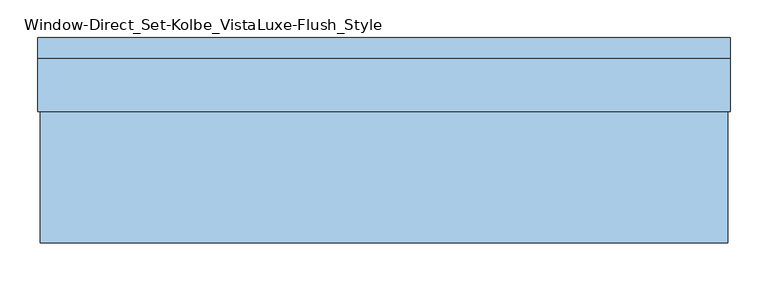
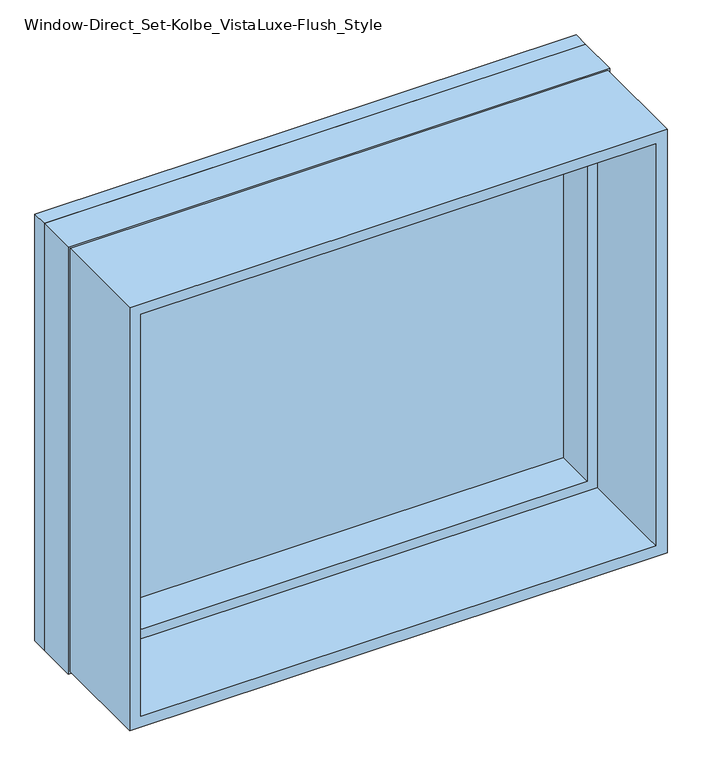
"""IFC4 building model written with IfcOpenShell, lengths in millimetres: window geometry, Window-Direct_Set-Kolbe_VistaLuxe-Flush_Style."""

from ifc_helpers import new_model, si_unit, frame, origin, place, context, project, spatial, polyline, outline, extrude, faceted_brep, source, transform, mapped, element, save


def window_direct_set_kolbe_vistaluxe_flush_style_c959689d(model_context):
    return source(origin(), model_context, "Body", "SolidModel", [
        extrude(outline(polyline([(1673.225, -460.2003758), (917.575, -460.2003758), (917.575, 447.8496242), (1673.225, 447.8496242), (1673.225, -460.2003758)]), holes=[polyline([(936.625, -441.1503758), (1654.175, -441.1503758), (1654.175, 428.7996242), (936.625, 428.7996242), (936.625, -441.1503758)])]), frame((0.0, -122.2375, 0.0), z_axis=(0.0, 1.0, 0.0), x_axis=(0.0, 0.0, 1.0)), (0.0, 0.0, 1.0), 173.8122),
        extrude(outline(polyline([(936.625, -441.1503758), (936.625, 428.7996242), (1654.175, 428.7996242), (1654.175, -441.1503758), (936.625, -441.1503758)]), holes=[polyline([(954.0875, 411.3371242), (954.0875, -423.6878758), (1636.7125, -423.6878758), (1636.7125, 411.3371242), (954.0875, 411.3371242)])]), frame((0.0, 48.38065, 0.0), z_axis=(0.0, 1.0, 0.0), x_axis=(0.0, 0.0, 1.0)), (0.0, 0.0, 1.0), 69.8246),
        faceted_brep([(451.0246242, 149.1615, 1676.4), (-463.3753758, 149.1615, 1676.4), (-463.3753758, 122.2375, 1676.4), (451.0246242, 122.2375, 1676.4), (411.3373659, 140.43025, 1636.7127418), (-423.6881176, 140.43025, 1636.7127418), (-423.6881176, 149.1615, 1636.7127418), (411.3373659, 149.1615, 1636.7127418), (428.7996242, 122.2375, 1654.175), (-441.1503758, 122.2375, 1654.175), (-441.1503758, 140.43025, 1654.175), (428.7996242, 140.43025, 1654.175), (-463.3753758, 149.1615, 914.4), (-463.3753758, 122.2375, 914.4), (-423.6881176, 140.43025, 954.0872582), (-423.6881176, 149.1615, 954.0872582), (-441.1503758, 122.2375, 936.625), (-441.1503758, 140.43025, 936.625), (451.0246242, 149.1615, 914.4), (451.0246242, 122.2375, 914.4), (411.3373659, 140.43025, 954.0872582), (411.3373659, 149.1615, 954.0872582), (428.7996242, 122.2375, 936.625), (428.7996242, 140.43025, 936.625)], [[[0, 1, 2, 3]], [[4, 5, 6, 7]], [[8, 9, 10, 11]], [[1, 12, 13, 2]], [[5, 14, 15, 6]], [[9, 16, 17, 10]], [[12, 18, 19, 13]], [[14, 20, 21, 15]], [[16, 22, 23, 17]], [[18, 0, 3, 19]], [[1, 0, 18, 12], [7, 6, 15, 21]], [[20, 4, 7, 21]], [[11, 10, 17, 23], [5, 4, 20, 14]], [[22, 8, 11, 23]], [[3, 2, 13, 19], [9, 8, 22, 16]]]),
        extrude(outline(polyline([(914.4, -463.3753758), (914.4, 451.0246242), (1676.4, 451.0246242), (1676.4, -463.3753758), (914.4, -463.3753758)]), holes=[polyline([(936.625, 428.7996242), (936.625, -441.1503758), (1654.175, -441.1503758), (1654.175, 428.7996242), (936.625, 428.7996242)])]), frame((0.0, 51.5747, 0.0), z_axis=(0.0, 1.0, 0.0), x_axis=(0.0, 0.0, 1.0)), (0.0, 0.0, 1.0), 70.6628),
        extrude(outline(polyline([(426.4183742, 121.38025), (426.4183742, 118.20525), (-438.7691258, 118.20525), (-438.7691258, 121.38025), (426.4183742, 121.38025)])), frame((0.0, 0.0, 946.15), z_axis=(0.0, 0.0, 1.0), x_axis=(1.0, 0.0, 0.0)), (0.0, 0.0, 1.0), 698.5),
        extrude(outline(polyline([(426.4183742, 137.25525), (-438.7691258, 137.25525), (-438.7691258, 140.43025), (426.4183742, 140.43025), (426.4183742, 137.25525)])), frame((0.0, 0.0, 946.15), z_axis=(0.0, 0.0, 1.0), x_axis=(1.0, 0.0, 0.0)), (0.0, 0.0, 1.0), 698.5),
    ])


if __name__ == "__main__":
    model = new_model("IFC4")
    model_context = context("Model", 3, world=origin())
    ifc_project = project(units=[si_unit("LENGTHUNIT", "METRE", prefix="MILLI")], contexts=[model_context])
    site = spatial("IfcSite", under=ifc_project)
    building = spatial("IfcBuilding", under=site)
    placement = place(None, origin())
    window_direct_set_kolbe_vistaluxe_flush_style_shape = window_direct_set_kolbe_vistaluxe_flush_style_c959689d(model_context)
    element("IfcWindow", 1, ObjectType="Window-Direct_Set-Kolbe_VistaLuxe-Flush_Style", at=placement, inside=building, context=model_context, shape_type="MappedRepresentation", body=[
        mapped(window_direct_set_kolbe_vistaluxe_flush_style_shape, transform((0.0, 0.0, 0.0), x_axis=(1.0, 0.0, 0.0), y_axis=(0.0, 1.0, 0.0), z_axis=(0.0, 0.0, 1.0))),
    ])
    save(model, "model.ifc")
